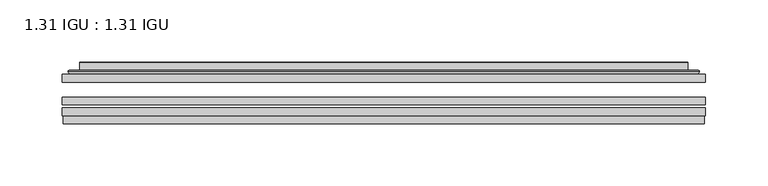
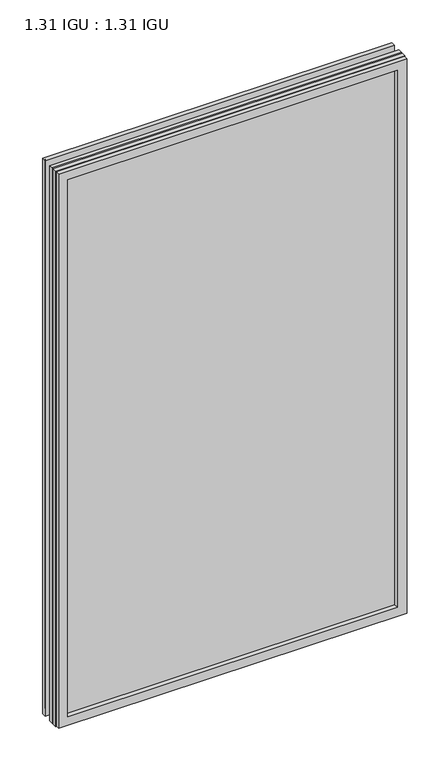
"""IFC4 building model written with IfcOpenShell, lengths in millimetres: plate geometry, 1.31 IGU : 1.31 IGU."""

from ifc_helpers import new_model, si_unit, frame, origin, place, context, project, spatial, polyline, ellipse_curve, outline, extrude, faceted_brep, source, transform, mapped, element, save
from ifc_brep_helpers import plane_surface, cylinder_surface, advanced_brep


def plate_1_31_igu_1_31_igu_9052c189(model_context):
    return source(origin(), model_context, "Body", "SolidModel", [
        extrude(outline(polyline([(258.8234066, -63.59525), (258.8234066, -69.94525), (-258.8092316, -69.94525), (-258.8092316, -63.59525), (258.8234066, -63.59525)])), frame((0.0, 0.0, -14.2875), z_axis=(0.0, 0.0, 1.0), x_axis=(1.0, 0.0, 0.0)), (0.0, 0.0, 1.0), 869.9537979),
        extrude(outline(polyline([(-258.8092316, -78.58125), (-258.8092316, -72.230745), (258.8234066, -72.230745), (258.8234066, -78.58125), (-258.8092316, -78.58125)])), frame((0.0, 0.0, -14.2875), z_axis=(0.0, 0.0, 1.0), x_axis=(1.0, 0.0, 0.0)), (0.0, 0.0, 1.0), 869.9537979),
        extrude(outline(polyline([(258.8234066, -45.25645), (258.8234066, -51.60645), (-258.8092316, -51.60645), (-258.8092316, -45.25645), (258.8234066, -45.25645)])), frame((0.0, 0.0, -14.2875), z_axis=(0.0, 0.0, 1.0), x_axis=(1.0, 0.0, 0.0)), (0.0, 0.0, 1.0), 869.9537979),
        faceted_brep([(-258.1090459, -84.93125, 854.9623142), (-258.1090459, -78.58125, 854.9623142), (-258.1090459, -78.58125, -13.5873142), (-258.1090459, -84.93125, -13.5873142), (258.1090459, -78.58125, -13.5873142), (258.1090459, -84.93125, -13.5873142), (258.1090459, -78.58125, 854.9623142), (258.1090459, -84.93125, 854.9623142), (-243.6239875, -78.58125, 0.8977441), (243.6239875, -78.58125, 0.8977441), (243.6239875, -78.58125, 840.4772559), (-243.6239875, -78.58125, 840.4772559), (-244.5164218, -84.93125, 841.3696902), (244.5164218, -84.93125, 841.3696902), (244.5164218, -84.93125, 0.0053098), (-244.5164218, -84.93125, 0.0053098)], [[[0, 1, 2, 3]], [[3, 2, 4, 5]], [[5, 4, 6, 7]], [[1, 6, 4, 2], [8, 9, 10, 11]], [[7, 6, 1, 0]], [[3, 5, 7, 0], [12, 13, 14, 15]], [[11, 12, 15, 8]], [[8, 15, 14, 9]], [[9, 14, 13, 10]], [[10, 13, 12, 11]]]),
        advanced_brep(
        [(-251.5679507, -45.25645, 848.421219), (-253.922156, -43.2667833, 850.7754244), (-253.922156, -43.2667833, -9.4004244), (-251.5679507, -45.25645, -7.046219), (-242.4936255, -41.416413, 839.3468939), (-237.5587937, -45.25645, 834.4120621), (-237.5587937, -45.25645, 6.9629379), (-242.4936255, -41.416413, 2.0281061), (-243.5256533, -36.0191819, 840.3789217), (-243.5256533, -36.0191819, 0.9960783), (-244.5163101, -35.6202069, 841.3695784), (-244.5163101, -35.6202069, 0.0054216), (-244.5163101, -42.08145, 841.3695784), (-244.5163101, -42.08145, 0.0054216), (-252.9203665, -42.08145, 849.7736349), (-252.9203665, -42.08145, -8.3986349), (253.922156, -43.2667833, -9.4004244), (251.5679507, -45.25645, -7.046219), (237.5587937, -45.25645, 6.9629379), (242.4936255, -41.416413, 2.0281061), (243.5256533, -36.0191819, 0.9960783), (244.5163101, -35.6202069, 0.0054216), (244.5163101, -42.08145, 0.0054216), (252.9203665, -42.08145, -8.3986349), (253.922156, -43.2667833, 850.7754244), (251.5679507, -45.25645, 848.421219), (237.5587937, -45.25645, 834.4120621), (242.4936255, -41.416413, 839.3468939), (243.5256533, -36.0191819, 840.3789217), (244.5163101, -35.6202069, 841.3695784), (244.5163101, -42.08145, 841.3695784), (252.9203665, -42.08145, 849.7736349)],
        [
            (0, 1, ellipse_curve(frame((-251.5679507, -42.86885, 848.421219), z_axis=(-0.7071067811865475, 0.0, -0.7071067811865475), x_axis=(-0.7071067811865474, 0.0, 0.7071067811865476)), 3.3765763, 2.3876)),
            (1, 2),
            (2, 3, ellipse_curve(frame((-251.5679507, -42.86885, -7.046219), z_axis=(-0.7071067811865475, 0.0, 0.7071067811865475), x_axis=(0.7071067811865474, 0.0, 0.7071067811865476)), 3.3765763, 2.3876)),
            (3, 0),
            (4, 5),
            (5, 6),
            (6, 7),
            (7, 4),
            (8, 4),
            (7, 9),
            (9, 8),
            (10, 8, ellipse_curve(frame((-244.1493535, -36.1384423, 841.0026219), z_axis=(-0.7071067811865475, 0.0, -0.7071067811865475), x_axis=(-0.7071067811865474, 0.0, 0.7071067811865476)), 0.8980256, 0.635)),
            (9, 11, ellipse_curve(frame((-244.1493535, -36.1384423, 0.3723781), z_axis=(-0.7071067811865475, 0.0, 0.7071067811865475), x_axis=(0.7071067811865474, 0.0, 0.7071067811865476)), 0.8980256, 0.635)),
            (11, 10),
            (12, 10),
            (11, 13),
            (13, 12),
            (1, 14, ellipse_curve(frame((-252.9203665, -43.09745, 849.7736349), z_axis=(-0.7071067811865475, 0.0, -0.7071067811865475), x_axis=(-0.7071067811865474, 0.0, 0.7071067811865476)), 1.436841, 1.016)),
            (14, 15),
            (15, 2, ellipse_curve(frame((-252.9203665, -43.09745, -8.3986349), z_axis=(-0.7071067811865475, 0.0, 0.7071067811865475), x_axis=(0.7071067811865474, 0.0, 0.7071067811865476)), 1.436841, 1.016)),
            (2, 16),
            (16, 17, ellipse_curve(frame((251.5679507, -42.86885, -7.046219), z_axis=(-0.7071067811865475, 0.0, -0.7071067811865475), x_axis=(-0.7071067811865476, 0.0, 0.7071067811865474)), 3.3765763, 2.3876)),
            (17, 3),
            (6, 18),
            (18, 19),
            (19, 7),
            (19, 20),
            (20, 9),
            (20, 21, ellipse_curve(frame((244.1493535, -36.1384423, 0.3723781), z_axis=(-0.7071067811865475, 0.0, -0.7071067811865475), x_axis=(-0.7071067811865476, 0.0, 0.7071067811865474)), 0.8980256, 0.635)),
            (21, 11),
            (21, 22),
            (22, 13),
            (15, 23),
            (23, 16, ellipse_curve(frame((252.9203665, -43.09745, -8.3986349), z_axis=(-0.7071067811865475, 0.0, -0.7071067811865475), x_axis=(-0.7071067811865476, 0.0, 0.7071067811865474)), 1.436841, 1.016)),
            (16, 24),
            (24, 25, ellipse_curve(frame((251.5679507, -42.86885, 848.421219), z_axis=(0.7071067811865475, 0.0, -0.7071067811865475), x_axis=(-0.7071067811865474, 0.0, -0.7071067811865476)), 3.3765763, 2.3876)),
            (25, 17),
            (18, 26),
            (26, 27),
            (27, 19),
            (27, 28),
            (28, 20),
            (28, 29, ellipse_curve(frame((244.1493535, -36.1384423, 841.0026219), z_axis=(0.7071067811865475, 0.0, -0.7071067811865475), x_axis=(-0.7071067811865474, 0.0, -0.7071067811865476)), 0.8980256, 0.635)),
            (29, 21),
            (29, 30),
            (30, 22),
            (23, 31),
            (31, 24, ellipse_curve(frame((252.9203665, -43.09745, 849.7736349), z_axis=(0.7071067811865475, 0.0, -0.7071067811865475), x_axis=(-0.7071067811865474, 0.0, -0.7071067811865476)), 1.436841, 1.016)),
            (24, 1),
            (0, 25),
            (5, 26),
            (4, 27),
            (8, 28),
            (10, 29),
            (12, 30),
            (14, 31),
        ],
        [
            cylinder_surface(frame((-251.5679507, -42.86885, 873.125), z_axis=(0.0, 0.0, 1.0), x_axis=(-1.0, 0.0, 0.0)), 2.3876),
            plane_surface(frame((-237.5587937, -45.25645, 834.4120621), z_axis=(0.6141233906514794, 0.7892100234124821, 0.0), x_axis=(0.0, 0.0, -1.0))),
            plane_surface(frame((-242.4936255, -41.416413, 839.3468939), z_axis=(0.9822050625507729, 0.18781164793386074, 0.0), x_axis=(0.0, 0.0, -1.0))),
            cylinder_surface(frame((-244.1493535, -36.1384423, 873.125), z_axis=(0.0, 0.0, 1.0), x_axis=(-1.0, 0.0, 0.0)), 0.635),
            plane_surface(frame((-244.5163101, -35.6202069, 841.3695784), z_axis=(-1.0, 0.0, 0.0), x_axis=(0.0, 0.0, -1.0))),
            cylinder_surface(frame((-252.9203665, -43.09745, 873.125), z_axis=(0.0, 0.0, 1.0), x_axis=(-1.0, 0.0, 0.0)), 1.016),
            cylinder_surface(frame((-276.2717316, -42.86885, -7.046219), z_axis=(-1.0, 0.0, 0.0), x_axis=(0.0, 0.0, -1.0)), 2.3876),
            plane_surface(frame((-237.5587937, -45.25645, 6.9629379), z_axis=(0.0, 0.7892100234124841, 0.6141233906514768), x_axis=(1.0, 0.0, 0.0))),
            plane_surface(frame((-242.4936255, -41.416413, 2.0281061), z_axis=(0.0, 0.18781164793386393, 0.9822050625507723), x_axis=(1.0, 0.0, 0.0))),
            cylinder_surface(frame((-276.2717316, -36.1384423, 0.3723781), z_axis=(-1.0, 0.0, 0.0), x_axis=(0.0, 0.0, -1.0)), 0.635),
            plane_surface(frame((-244.5163101, -35.6202069, 0.0054216), z_axis=(0.0, 0.0, -1.0), x_axis=(1.0, 0.0, 0.0))),
            cylinder_surface(frame((-276.2717316, -43.09745, -8.3986349), z_axis=(-1.0, 0.0, 0.0), x_axis=(0.0, 0.0, -1.0)), 1.016),
            cylinder_surface(frame((251.5679507, -42.86885, -31.75), z_axis=(0.0, 0.0, -1.0), x_axis=(1.0, 0.0, 0.0)), 2.3876),
            plane_surface(frame((237.5587937, -45.25645, 6.9629379), z_axis=(-0.6141233906514743, 0.7892100234124861, 0.0), x_axis=(0.0, 0.0, 1.0))),
            plane_surface(frame((242.4936255, -41.416413, 2.0281061), z_axis=(-0.9822050625507718, 0.18781164793386712, 0.0), x_axis=(0.0, 0.0, 1.0))),
            cylinder_surface(frame((244.1493535, -36.1384423, -31.75), z_axis=(0.0, 0.0, -1.0), x_axis=(1.0, 0.0, 0.0)), 0.635),
            plane_surface(frame((244.5163101, -35.6202069, 0.0054216), z_axis=(1.0, 0.0, 0.0), x_axis=(0.0, 0.0, 1.0))),
            cylinder_surface(frame((252.9203665, -43.09745, -31.75), z_axis=(0.0, 0.0, -1.0), x_axis=(1.0, 0.0, 0.0)), 1.016),
            cylinder_surface(frame((276.2717316, -42.86885, 848.421219), z_axis=(1.0, 0.0, 0.0), x_axis=(0.0, 0.0, 1.0)), 2.3876),
            plane_surface(frame((251.5679507, -45.25645, 848.421219), z_axis=(0.0, -1.0, 0.0), x_axis=(-1.0, 0.0, 0.0))),
            plane_surface(frame((237.5587937, -45.25645, 834.4120621), z_axis=(0.0, 0.7892100234124841, -0.6141233906514768), x_axis=(-1.0, 0.0, 0.0))),
            plane_surface(frame((242.4936255, -41.416413, 839.3468939), z_axis=(0.0, 0.18781164793386393, -0.9822050625507723), x_axis=(-1.0, 0.0, 0.0))),
            cylinder_surface(frame((276.2717316, -36.1384423, 841.0026219), z_axis=(1.0, 0.0, 0.0), x_axis=(0.0, 0.0, 1.0)), 0.635),
            plane_surface(frame((244.5163101, -35.6202069, 841.3695784), z_axis=(0.0, 0.0, 1.0), x_axis=(-1.0, 0.0, 0.0))),
            plane_surface(frame((244.5163101, -42.08145, 841.3695784), z_axis=(0.0, 1.0, 0.0), x_axis=(-1.0, 0.0, 0.0))),
            cylinder_surface(frame((276.2717316, -43.09745, 849.7736349), z_axis=(1.0, 0.0, 0.0), x_axis=(0.0, 0.0, 1.0)), 1.016),
        ],
        [
            (0, [[1, 2, 3, 4]]),
            (1, [[5, 6, 7, 8]]),
            (2, [[9, -8, 10, 11]]),
            (3, [[12, -11, 13, 14]]),
            (4, [[15, -14, 16, 17]]),
            (5, [[18, 19, 20, -2]]),
            (6, [[-3, 21, 22, 23]]),
            (7, [[-7, 24, 25, 26]]),
            (8, [[-10, -26, 27, 28]]),
            (9, [[-13, -28, 29, 30]]),
            (10, [[-16, -30, 31, 32]]),
            (11, [[-20, 33, 34, -21]]),
            (12, [[-22, 35, 36, 37]]),
            (13, [[-25, 38, 39, 40]]),
            (14, [[-27, -40, 41, 42]]),
            (15, [[-29, -42, 43, 44]]),
            (16, [[-31, -44, 45, 46]]),
            (17, [[-34, 47, 48, -35]]),
            (18, [[-36, 49, -1, 50]]),
            (19, [[-23, -37, -50, -4], [51, -38, -24, -6]]),
            (20, [[-39, -51, -5, 52]]),
            (21, [[-41, -52, -9, 53]]),
            (22, [[-43, -53, -12, 54]]),
            (23, [[-45, -54, -15, 55]]),
            (24, [[56, -47, -33, -19], [-32, -46, -55, -17]]),
            (25, [[-48, -56, -18, -49]]),
        ],
    ),
    ])


if __name__ == "__main__":
    model = new_model("IFC4")
    model_context = context("Model", 3, world=origin())
    ifc_project = project(units=[si_unit("LENGTHUNIT", "METRE", prefix="MILLI")], contexts=[model_context])
    site = spatial("IfcSite", under=ifc_project)
    building = spatial("IfcBuilding", under=site)
    placement = place(None, origin())
    plate_1_31_igu_1_31_igu_shape = plate_1_31_igu_1_31_igu_9052c189(model_context)
    element("IfcPlate", 1, ObjectType="1.31 IGU : 1.31 IGU", at=placement, inside=building, context=model_context, shape_type="MappedRepresentation", body=[
        mapped(plate_1_31_igu_1_31_igu_shape, transform((0.0, 0.0, 0.0), x_axis=(1.0, 0.0, 0.0), y_axis=(0.0, 1.0, 0.0), z_axis=(0.0, 0.0, 1.0))),
    ])
    save(model, "model.ifc")
